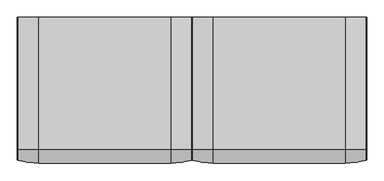
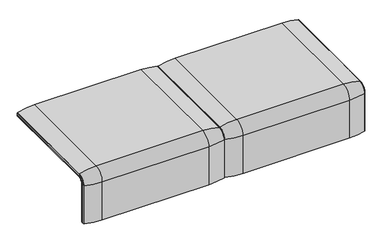
"""IFC4 building model written with IfcOpenShell, lengths in millimetres: furniture geometry."""

from ifc_helpers import new_model, si_unit, point, frame, frame_2d, origin, place, context, project, spatial, polyline, circle_curve, ellipse_curve, trimmed, segment, composite_curve, outline, extrude, source, transform, mapped, element, save
from ifc_brep_helpers import plane_surface, cylinder_surface, revolved_surface, advanced_brep


def furniture_441929d1(model_context):
    return source(origin(), model_context, "Body", "SolidModel", [
        advanced_brep(
        [(0.0, 295.0, 359.922434), (0.0, 295.0, 366.172434), (815.9812488, 295.0, 366.172434), (815.9812488, 295.0, 359.922434), (0.0, -357.5, 333.0583003), (0.0, -357.5, 100.5089435), (815.9812488, -357.5, 100.5089435), (815.9812488, -357.5, 333.0583003), (781.0812488, -357.5, 333.0583003), (781.0812488, -357.5, 135.3766997), (34.9, -357.5, 135.3766997), (34.9, -357.5, 333.0583003), (0.0, -323.7517936, 359.922434), (815.9812488, -323.7517936, 359.922434), (781.0812488, -323.7517936, 359.922434), (781.0812488, 260.0, 359.922434), (34.9, 260.0, 359.922434), (34.9, -323.7517936, 359.922434), (781.0812488, -351.0, 135.3766997), (781.0812488, -324.3858663, 366.172434), (781.0812488, 260.0, 366.172434), (781.0812488, -351.0, 332.6742277), (34.9, 260.0, 366.172434), (0.0, -351.0, 332.6742277), (0.0, -351.0, 100.5089435), (0.0, -324.3858663, 366.172434), (815.9812488, -324.3858663, 366.172434), (815.9812488, -351.0, 100.5089435), (815.9812488, -351.0, 332.6742277), (34.9, -324.3858663, 366.172434), (34.9, -351.0, 332.6742277), (34.9, -351.0, 135.3766997)],
        [
            (0, 1),
            (1, 2),
            (2, 3),
            (3, 0),
            (4, 5),
            (5, 6),
            (6, 7),
            (7, 8),
            (8, 9),
            (9, 10),
            (10, 11),
            (11, 4),
            (12, 0),
            (3, 13),
            (13, 14),
            (14, 15),
            (15, 16),
            (16, 17),
            (17, 12),
            (18, 9),
            (8, 19, circle_curve(frame((781.0812488, -324.3858663, 333.0583003), z_axis=(-1.0, 0.0, 0.0), x_axis=(0.0, -1.0, 0.0)), 33.1141337)),
            (19, 20),
            (20, 15),
            (14, 21, circle_curve(frame((781.0812488, -323.7517936, 332.6742277), z_axis=(1.0, 0.0, 0.0), x_axis=(0.0, -1.0, 0.0)), 27.2482064)),
            (21, 18),
            (22, 16),
            (20, 22),
            (12, 23, circle_curve(frame((0.0, -323.7517936, 332.6742277), z_axis=(1.0, 0.0, 0.0), x_axis=(0.0, -1.0, 0.0)), 27.2482064)),
            (23, 24),
            (24, 5),
            (4, 25, circle_curve(frame((0.0, -324.3858663, 333.0583003), z_axis=(-1.0, 0.0, 0.0), x_axis=(0.0, -1.0, 0.0)), 33.1141337)),
            (25, 1),
            (2, 26),
            (26, 7, circle_curve(frame((815.9812488, -324.3858663, 333.0583003), z_axis=(1.0, 0.0, 0.0), x_axis=(0.0, -1.0, 0.0)), 33.1141337)),
            (6, 27),
            (27, 28),
            (28, 13, circle_curve(frame((815.9812488, -323.7517936, 332.6742277), z_axis=(-1.0, 0.0, 0.0), x_axis=(0.0, -1.0, 0.0)), 27.2482064)),
            (25, 29),
            (29, 22),
            (19, 26),
            (11, 29, circle_curve(frame((34.9, -324.3858663, 333.0583003), z_axis=(-1.0, 0.0, 0.0), x_axis=(0.0, -1.0, 0.0)), 33.1141337)),
            (24, 27),
            (23, 30),
            (30, 31),
            (31, 18),
            (21, 28),
            (17, 30, circle_curve(frame((34.9, -323.7517936, 332.6742277), z_axis=(1.0, 0.0, 0.0), x_axis=(0.0, -1.0, 0.0)), 27.2482064)),
            (10, 31),
        ],
        [
            plane_surface(frame((0.0, 295.0, 366.172434), z_axis=(0.0, 1.0, 0.0), x_axis=(1.0, 0.0, 0.0))),
            plane_surface(frame((0.0, -357.5, 100.5089435), z_axis=(0.0, -1.0, 0.0), x_axis=(1.0, 0.0, 0.0))),
            plane_surface(frame((0.0, 295.0, 359.922434), z_axis=(0.0, 0.0, -1.0), x_axis=(1.0, 0.0, 0.0))),
            plane_surface(frame((781.0812488, -296.9265415, 359.922434), z_axis=(-1.0, 0.0, 0.0), x_axis=(0.0, 1.0, 0.0))),
            plane_surface(frame((34.9, 260.0, 366.172434), z_axis=(0.0, -1.0, 0.0), x_axis=(1.0, 0.0, 0.0))),
            plane_surface(frame((0.0, -296.9265415, 359.922434), z_axis=(-1.0, 0.0, 0.0), x_axis=(0.0, -1.0, 0.0))),
            plane_surface(frame((815.9812488, -296.9265415, 359.922434), z_axis=(1.0, 0.0, 0.0), x_axis=(0.0, 1.0, 0.0))),
            plane_surface(frame((0.0, -324.3858663, 366.172434), z_axis=(0.0, 0.0, 1.0), x_axis=(1.0, 0.0, 0.0))),
            cylinder_surface(frame((815.9812488, -324.3858663, 333.0583003), z_axis=(-1.0, 0.0, 0.0), x_axis=(0.0, -1.0, 0.0)), 33.1141337),
            plane_surface(frame((0.0, -351.0, 100.5089435), z_axis=(0.0, 0.0, -1.0), x_axis=(1.0, 0.0, 0.0))),
            plane_surface(frame((0.0, -351.0, 332.6742277), z_axis=(0.0, 1.0, 0.0), x_axis=(1.0, 0.0, 0.0))),
            revolved_surface(polyline([(34.89999999999998, -351.0, 332.6742277), (0.0, -351.0, 332.6742277)]), (815.9812488, -323.7517936, 332.6742277), (1.0, 0.0, 0.0)),
            revolved_surface(polyline([(815.9812488, -351.0, 332.6742277), (781.0812488, -351.0, 332.6742277)]), (815.9812488, -323.7517936, 332.6742277), (1.0, 0.0, 0.0)),
            plane_surface(frame((34.9, -296.9265415, 359.922434), z_axis=(1.0, 0.0, 0.0), x_axis=(0.0, -1.0, 0.0))),
            plane_surface(frame((34.9, -351.0, 135.3766997), z_axis=(0.0, 0.0, 1.0), x_axis=(1.0, 0.0, 0.0))),
        ],
        [
            (0, [[1, 2, 3, 4]]),
            (1, [[5, 6, 7, 8, 9, 10, 11, 12]]),
            (2, [[13, -4, 14, 15, 16, 17, 18, 19]]),
            (3, [[20, -9, 21, 22, 23, -16, 24, 25]]),
            (4, [[26, -17, -23, 27]]),
            (5, [[-13, 28, 29, 30, -5, 31, 32, -1]]),
            (6, [[-3, 33, 34, -7, 35, 36, 37, -14]]),
            (7, [[-32, 38, 39, -27, -22, 40, -33, -2]]),
            (8, [[-34, -40, -21, -8]]),
            (8, [[-31, -12, 41, -38]]),
            (9, [[-30, 42, -35, -6]]),
            (10, [[-29, 43, 44, 45, -25, 46, -36, -42]]),
            (11, [[-28, -19, 47, -43]]),
            (12, [[-37, -46, -24, -15]]),
            (13, [[-26, -39, -41, -11, 48, -44, -47, -18]]),
            (14, [[-48, -10, -20, -45]]),
        ],
    ),
        extrude(outline(composite_curve([segment(polyline([(260.0, 359.922434), (-323.7517936, 359.922434)]), True, "CONTINUOUS"), segment(trimmed(circle_curve(frame_2d((-323.7517936, 332.6742277)), 27.2482064), [point((-323.7517936, 359.922434))], [point((-351.0, 332.6742277))], True, "CARTESIAN"), True, "CONTINUOUS"), segment(polyline([(-351.0, 332.6742277), (-351.0, 135.3766997), (-357.5, 135.3766997), (-357.5, 333.0583003)]), True, "CONTINUOUS"), segment(trimmed(circle_curve(frame_2d((-324.3858663, 333.0583003)), 33.1141337), [point((-357.5, 333.0583003))], [point((-324.3858663, 366.172434))], False, "CARTESIAN"), True, "CONTINUOUS"), segment(polyline([(-324.3858663, 366.172434), (260.0, 366.172434), (260.0, 359.922434)]), True, "CONTINUOUS")], self_intersect=False)), frame((34.9, 0.0, 0.0), z_axis=(1.0, 0.0, 0.0), x_axis=(0.0, 1.0, 0.0)), (0.0, 0.0, 1.0), 746.1812488),
        advanced_brep(
        [(0.0, -368.7793679, 100.5089435), (0.0, -357.5, 100.5089435), (815.9812488, -357.5, 100.5089435), (815.9812488, -368.7793679, 100.5089435), (813.8426203, -371.6530483, 100.5089435), (715.9812488, -386.0043559, 100.5089435), (100.0, -386.0043559, 100.5089435), (2.1386285, -371.6530483, 100.5089435), (0.0, 295.0, 377.4518019), (2.1386285, 295.0, 380.3254823), (100.0, 295.0, 394.67679), (715.9812488, 295.0, 394.67679), (813.8426203, 295.0, 380.3254823), (815.9812488, 295.0, 377.4518019), (815.9812488, 295.0, 366.172434), (0.0, 295.0, 366.172434), (0.0, -368.7793679, 333.0583003), (0.0, -324.3858663, 377.4518019), (0.0, -324.3858663, 366.172434), (0.0, -357.5, 333.0583003), (815.9812488, -357.5, 333.0583003), (715.9812488, -386.0043559, 333.0583003), (100.0, -386.0043559, 333.0583003), (2.1386285, -371.6530483, 333.0583003), (815.9812488, -324.3858663, 366.172434), (100.0, -324.3858663, 394.67679), (715.9812488, -324.3858663, 394.67679), (2.1386285, -324.3858663, 380.3254823), (815.9812488, -324.3858663, 377.4518019), (815.9812488, -368.7793679, 333.0583003), (813.8426203, -371.6530483, 333.0583003), (813.8426203, -324.3858663, 380.3254823)],
        [
            (0, 1),
            (1, 2),
            (2, 3),
            (3, 4, circle_curve(frame((812.9812488, -368.7793679, 100.5089435), z_axis=(0.0, 0.0, -1.0), x_axis=(-1.0, 0.0, 0.0)), 3.0)),
            (4, 5, circle_curve(frame((715.9812488, -45.1710226, 100.5089435), z_axis=(0.0, 0.0, -1.0), x_axis=(0.0, 1.0, 0.0)), 340.8333333)),
            (5, 6),
            (6, 7, circle_curve(frame((100.0, -45.1710226, 100.5089435), z_axis=(0.0, 0.0, -1.0), x_axis=(0.0, 1.0, 0.0)), 340.8333333)),
            (7, 0, circle_curve(frame((3.0, -368.7793679, 100.5089435), z_axis=(0.0, 0.0, -1.0), x_axis=(1.0, 0.0, 0.0)), 3.0)),
            (8, 9, circle_curve(frame((3.0, 295.0, 377.4518019), z_axis=(0.0, 1.0, 0.0), x_axis=(1.0, 0.0, 0.0)), 3.0)),
            (9, 10, circle_curve(frame((100.0, 295.0, 53.8434566), z_axis=(0.0, 1.0, 0.0), x_axis=(0.0, 0.0, -1.0)), 340.8333333)),
            (10, 11),
            (11, 12, circle_curve(frame((715.9812488, 295.0, 53.8434566), z_axis=(0.0, 1.0, 0.0), x_axis=(0.0, 0.0, -1.0)), 340.8333333)),
            (12, 13, circle_curve(frame((812.9812488, 295.0, 377.4518019), z_axis=(0.0, 1.0, 0.0), x_axis=(-1.0, 0.0, 0.0)), 3.0)),
            (13, 14),
            (14, 15),
            (15, 8),
            (0, 16),
            (16, 17, circle_curve(frame((0.0, -324.3858663, 333.0583003), z_axis=(-1.0, 0.0, 0.0), x_axis=(0.0, -1.0, 0.0)), 44.3935016)),
            (17, 8),
            (15, 18),
            (18, 19, circle_curve(frame((0.0, -324.3858663, 333.0583003), z_axis=(1.0, 0.0, 0.0), x_axis=(0.0, -1.0, 0.0)), 33.1141337)),
            (19, 1),
            (19, 20),
            (20, 2),
            (5, 21),
            (21, 22),
            (22, 6),
            (22, 23, circle_curve(frame((100.0, -45.1710226, 333.0583003), z_axis=(0.0, 0.0, -1.0), x_axis=(0.0, 1.0, 0.0)), 340.8333333)),
            (23, 7),
            (23, 16, circle_curve(frame((3.0, -368.7793679, 333.0583003), z_axis=(0.0, 0.0, -1.0), x_axis=(1.0, 0.0, 0.0)), 3.0)),
            (24, 20, circle_curve(frame((815.9812488, -324.3858663, 333.0583003), z_axis=(1.0, 0.0, 0.0), x_axis=(0.0, -1.0, 0.0)), 33.1141337)),
            (18, 24),
            (25, 22, circle_curve(frame((100.0, -324.3858663, 333.0583003), z_axis=(1.0, 0.0, 0.0), x_axis=(0.0, -1.0, 0.0)), 61.6184897)),
            (21, 26, circle_curve(frame((715.9812488, -324.3858663, 333.0583003), z_axis=(-1.0, 0.0, 0.0), x_axis=(0.0, -1.0, 0.0)), 61.6184897)),
            (26, 25),
            (27, 23, circle_curve(frame((2.1386285, -324.3858663, 333.0583003), z_axis=(1.0, 0.0, 0.0), x_axis=(0.0, -1.0, 0.0)), 47.267182)),
            (25, 27, circle_curve(frame((100.0, -324.3858663, 53.8434566), z_axis=(0.0, -1.0, 0.0), x_axis=(0.0, 0.0, -1.0)), 340.8333333)),
            (27, 17, circle_curve(frame((3.0, -324.3858663, 377.4518019), z_axis=(0.0, -1.0, 0.0), x_axis=(1.0, 0.0, 0.0)), 3.0)),
            (14, 24),
            (26, 11),
            (10, 25),
            (9, 27),
            (13, 28),
            (28, 29, circle_curve(frame((815.9812488, -324.3858663, 333.0583003), z_axis=(1.0, 0.0, 0.0), x_axis=(0.0, -1.0, 0.0)), 44.3935016)),
            (29, 3),
            (29, 30, circle_curve(frame((812.9812488, -368.7793679, 333.0583003), z_axis=(0.0, 0.0, -1.0), x_axis=(-1.0, 0.0, 0.0)), 3.0)),
            (30, 4),
            (30, 21, circle_curve(frame((715.9812488, -45.1710226, 333.0583003), z_axis=(0.0, 0.0, -1.0), x_axis=(0.0, 1.0, 0.0)), 340.8333333)),
            (31, 30, circle_curve(frame((813.8426203, -324.3858663, 333.0583003), z_axis=(1.0, 0.0, 0.0), x_axis=(0.0, -1.0, 0.0)), 47.267182)),
            (28, 31, circle_curve(frame((812.9812488, -324.3858663, 377.4518019), z_axis=(0.0, -1.0, 0.0), x_axis=(-1.0, 0.0, 0.0)), 3.0)),
            (31, 26, circle_curve(frame((715.9812488, -324.3858663, 53.8434566), z_axis=(0.0, -1.0, 0.0), x_axis=(0.0, 0.0, -1.0)), 340.8333333)),
            (12, 31),
        ],
        [
            plane_surface(frame((0.0, -357.5, 100.5089435), z_axis=(0.0, 0.0, -1.0), x_axis=(1.0, 0.0, 0.0))),
            plane_surface(frame((0.0, 295.0, 366.172434), z_axis=(0.0, 1.0, 0.0), x_axis=(1.0, 0.0, 0.0))),
            plane_surface(frame((0.0, -368.7793679, 100.5089435), z_axis=(-1.0, 0.0, 0.0), x_axis=(0.0, 0.0, 1.0))),
            plane_surface(frame((0.0, -357.5, 100.5089435), z_axis=(0.0, 1.0, 0.0), x_axis=(0.0, 0.0, 1.0))),
            plane_surface(frame((715.9812488, -386.0043559, 100.5089435), z_axis=(0.0, -1.0, 0.0), x_axis=(0.0, 0.0, 1.0))),
            cylinder_surface(frame((100.0, -45.1710226, 100.5089435), z_axis=(0.0, 0.0, -1.0), x_axis=(0.0, 1.0, 0.0)), 340.8333333),
            cylinder_surface(frame((3.0, -368.7793679, 100.5089435), z_axis=(0.0, 0.0, -1.0), x_axis=(1.0, 0.0, 0.0)), 3.0),
            revolved_surface(polyline([(0.0, -357.5, 333.0583003), (815.9812488, -357.5, 333.0583003)]), (0.0, -324.3858663, 333.0583003), (-1.0, 0.0, 0.0)),
            cylinder_surface(frame((0.0, -324.3858663, 333.0583003), z_axis=(-1.0, 0.0, 0.0), x_axis=(0.0, -1.0, 0.0)), 61.6184897),
            revolved_surface(trimmed(ellipse_curve(frame((100.0, -45.1710226, 333.0583003), z_axis=(0.0, 0.0, -1.0), x_axis=(0.0, 1.0, 0.0)), 340.8333333, 340.8333333), [point((100.0, -386.0043559, 333.0583003))], [point((2.1386285, -371.6530483, 333.0583003))], True, "CARTESIAN"), (0.0, -324.3858663, 333.0583003), (-1.0, 0.0, 0.0)),
            revolved_surface(trimmed(ellipse_curve(frame((3.0, -368.7793679, 333.0583003), z_axis=(0.0, 0.0, -1.0), x_axis=(1.0, 0.0, 0.0)), 3.0, 3.0), [point((2.1386285, -371.6530483, 333.0583003))], [point((0.0, -368.7793679, 333.0583003))], True, "CARTESIAN"), (0.0, -324.3858663, 333.0583003), (-1.0, 0.0, 0.0)),
            plane_surface(frame((0.0, -324.3858663, 366.172434), z_axis=(0.0, 0.0, -1.0), x_axis=(0.0, 1.0, 0.0))),
            plane_surface(frame((715.9812488, -324.3858663, 394.67679), z_axis=(0.0, 0.0, 1.0), x_axis=(0.0, 1.0, 0.0))),
            cylinder_surface(frame((100.0, -324.3858663, 53.8434566), z_axis=(0.0, -1.0, 0.0), x_axis=(0.0, 0.0, -1.0)), 340.8333333),
            cylinder_surface(frame((3.0, -324.3858663, 377.4518019), z_axis=(0.0, -1.0, 0.0), x_axis=(1.0, 0.0, 0.0)), 3.0),
            plane_surface(frame((815.9812488, -357.5, 100.5089435), z_axis=(1.0, 0.0, 0.0), x_axis=(0.0, 0.0, 1.0))),
            cylinder_surface(frame((812.9812488, -368.7793679, 100.5089435), z_axis=(0.0, 0.0, -1.0), x_axis=(-1.0, 0.0, 0.0)), 3.0),
            cylinder_surface(frame((715.9812488, -45.1710226, 100.5089435), z_axis=(0.0, 0.0, -1.0), x_axis=(0.0, 1.0, 0.0)), 340.8333333),
            revolved_surface(trimmed(ellipse_curve(frame((812.9812488, -368.7793679, 333.0583003), z_axis=(0.0, 0.0, -1.0), x_axis=(-1.0, 0.0, 0.0)), 3.0, 3.0), [point((815.9812488, -368.7793679, 333.0583003))], [point((813.8426203, -371.6530483, 333.0583003))], True, "CARTESIAN"), (0.0, -324.3858663, 333.0583003), (-1.0, 0.0, 0.0)),
            revolved_surface(trimmed(ellipse_curve(frame((715.9812488, -45.1710226, 333.0583003), z_axis=(0.0, 0.0, -1.0), x_axis=(0.0, 1.0, 0.0)), 340.8333333, 340.8333333), [point((813.8426203, -371.6530483, 333.0583003))], [point((715.9812488, -386.0043559, 333.0583003))], True, "CARTESIAN"), (0.0, -324.3858663, 333.0583003), (-1.0, 0.0, 0.0)),
            cylinder_surface(frame((812.9812488, -324.3858663, 377.4518019), z_axis=(0.0, -1.0, 0.0), x_axis=(-1.0, 0.0, 0.0)), 3.0),
            cylinder_surface(frame((715.9812488, -324.3858663, 53.8434566), z_axis=(0.0, -1.0, 0.0), x_axis=(0.0, 0.0, -1.0)), 340.8333333),
        ],
        [
            (0, [[1, 2, 3, 4, 5, 6, 7, 8]]),
            (1, [[9, 10, 11, 12, 13, 14, 15, 16]]),
            (2, [[-1, 17, 18, 19, -16, 20, 21, 22]]),
            (3, [[-2, -22, 23, 24]]),
            (4, [[-6, 25, 26, 27]]),
            (5, [[-7, -27, 28, 29]]),
            (6, [[-8, -29, 30, -17]]),
            (7, [[31, -23, -21, 32]]),
            (8, [[33, -26, 34, 35]]),
            (9, [[36, -28, -33, 37]]),
            (10, [[-18, -30, -36, 38]]),
            (11, [[-32, -20, -15, 39]]),
            (12, [[-35, 40, -11, 41]]),
            (13, [[-37, -41, -10, 42]]),
            (14, [[-38, -42, -9, -19]]),
            (15, [[-3, -24, -31, -39, -14, 43, 44, 45]]),
            (16, [[-4, -45, 46, 47]]),
            (17, [[-5, -47, 48, -25]]),
            (18, [[49, -46, -44, 50]]),
            (19, [[-34, -48, -49, 51]]),
            (20, [[-50, -43, -13, 52]]),
            (21, [[-51, -52, -12, -40]]),
        ],
    ),
        advanced_brep(
        [(-815.9812488, 295.0, 359.922434), (-815.9812488, -323.7517936, 359.922434), (-815.9812488, -351.0, 332.6742277), (-815.9812488, -351.0, 100.5089435), (-815.9812488, -357.5, 100.5089435), (-815.9812488, -357.5, 333.0583003), (-815.9812488, -324.3858663, 366.172434), (-815.9812488, 295.0, 366.172434), (0.0, 295.0, 359.922434), (0.0, 295.0, 366.172434), (0.0, -324.3858663, 366.172434), (0.0, -357.5, 333.0583003), (0.0, -357.5, 100.5089435), (0.0, -351.0, 100.5089435), (0.0, -351.0, 332.6742277), (0.0, -323.7517936, 359.922434), (-781.0812488, -324.3858663, 366.172434), (-781.0812488, 260.0, 366.172434), (-34.9, 260.0, 366.172434), (-34.9, -324.3858663, 366.172434), (-781.0812488, -357.5, 333.0583003), (-34.9, -357.5, 333.0583003), (-34.9, -357.5, 135.3766997), (-781.0812488, -357.5, 135.3766997), (-781.0812488, -351.0, 332.6742277), (-781.0812488, -351.0, 135.3766997), (-34.9, -351.0, 135.3766997), (-34.9, -351.0, 332.6742277), (-781.0812488, -323.7517936, 359.922434), (-34.9, -323.7517936, 359.922434), (-34.9, 260.0, 359.922434), (-781.0812488, 260.0, 359.922434)],
        [
            (0, 1),
            (1, 2, circle_curve(frame((-815.9812488, -323.7517936, 332.6742277), z_axis=(1.0, 0.0, 0.0), x_axis=(0.0, -1.0, 0.0)), 27.2482064)),
            (2, 3),
            (3, 4),
            (4, 5),
            (5, 6, circle_curve(frame((-815.9812488, -324.3858663, 333.0583003), z_axis=(-1.0, 0.0, 0.0), x_axis=(0.0, -1.0, 0.0)), 33.1141337)),
            (6, 7),
            (7, 0),
            (8, 9),
            (9, 10),
            (10, 11, circle_curve(frame((0.0, -324.3858663, 333.0583003), z_axis=(1.0, 0.0, 0.0), x_axis=(0.0, -1.0, 0.0)), 33.1141337)),
            (11, 12),
            (12, 13),
            (13, 14),
            (14, 15, circle_curve(frame((0.0, -323.7517936, 332.6742277), z_axis=(-1.0, 0.0, 0.0), x_axis=(0.0, -1.0, 0.0)), 27.2482064)),
            (15, 8),
            (7, 9),
            (8, 0),
            (6, 16),
            (16, 17),
            (17, 18),
            (18, 19),
            (19, 10),
            (5, 20),
            (20, 16, circle_curve(frame((-781.0812488, -324.3858663, 333.0583003), z_axis=(-1.0, 0.0, 0.0), x_axis=(0.0, -1.0, 0.0)), 33.1141337)),
            (19, 21, circle_curve(frame((-34.9, -324.3858663, 333.0583003), z_axis=(1.0, 0.0, 0.0), x_axis=(0.0, -1.0, 0.0)), 33.1141337)),
            (21, 11),
            (4, 12),
            (21, 22),
            (22, 23),
            (23, 20),
            (3, 13),
            (2, 24),
            (24, 25),
            (25, 26),
            (26, 27),
            (27, 14),
            (1, 28),
            (28, 24, circle_curve(frame((-781.0812488, -323.7517936, 332.6742277), z_axis=(1.0, 0.0, 0.0), x_axis=(0.0, -1.0, 0.0)), 27.2482064)),
            (27, 29, circle_curve(frame((-34.9, -323.7517936, 332.6742277), z_axis=(-1.0, 0.0, 0.0), x_axis=(0.0, -1.0, 0.0)), 27.2482064)),
            (29, 15),
            (29, 30),
            (30, 31),
            (31, 28),
            (31, 17),
            (23, 25),
            (26, 22),
            (18, 30),
        ],
        [
            plane_surface(frame((-815.9812488, -296.9265415, 359.922434), z_axis=(-1.0, 0.0, 0.0), x_axis=(0.0, -1.0, 0.0))),
            plane_surface(frame((0.0, -296.9265415, 359.922434), z_axis=(1.0, 0.0, 0.0), x_axis=(0.0, 1.0, 0.0))),
            plane_surface(frame((-815.9812488, 295.0, 366.172434), z_axis=(0.0, 1.0, 0.0), x_axis=(1.0, 0.0, 0.0))),
            plane_surface(frame((-815.9812488, -324.3858663, 366.172434), z_axis=(0.0, 0.0, 1.0), x_axis=(1.0, 0.0, 0.0))),
            cylinder_surface(frame((0.0, -324.3858663, 333.0583003), z_axis=(-1.0, 0.0, 0.0), x_axis=(0.0, -1.0, 0.0)), 33.1141337),
            plane_surface(frame((-815.9812488, -357.5, 100.5089435), z_axis=(0.0, -1.0, 0.0), x_axis=(1.0, 0.0, 0.0))),
            plane_surface(frame((-815.9812488, -351.0, 100.5089435), z_axis=(0.0, 0.0, -1.0), x_axis=(1.0, 0.0, 0.0))),
            plane_surface(frame((-815.9812488, -351.0, 332.6742277), z_axis=(0.0, 1.0, 0.0), x_axis=(1.0, 0.0, 0.0))),
            revolved_surface(polyline([(-781.0812488, -351.0, 332.6742277), (-815.9812488, -351.0, 332.6742277)]), (0.0, -323.7517936, 332.6742277), (1.0, 0.0, 0.0)),
            revolved_surface(polyline([(0.0, -351.0, 332.6742277), (-34.9, -351.0, 332.6742277)]), (0.0, -323.7517936, 332.6742277), (1.0, 0.0, 0.0)),
            plane_surface(frame((-815.9812488, 295.0, 359.922434), z_axis=(0.0, 0.0, -1.0), x_axis=(1.0, 0.0, 0.0))),
            plane_surface(frame((-781.0812488, -296.9265415, 359.922434), z_axis=(1.0, 0.0, 0.0), x_axis=(0.0, -1.0, 0.0))),
            plane_surface(frame((-34.9, -296.9265415, 359.922434), z_axis=(-1.0, 0.0, 0.0), x_axis=(0.0, 1.0, 0.0))),
            plane_surface(frame((-781.0812488, 260.0, 366.172434), z_axis=(0.0, -1.0, 0.0), x_axis=(1.0, 0.0, 0.0))),
            plane_surface(frame((-781.0812488, -351.0, 135.3766997), z_axis=(0.0, 0.0, 1.0), x_axis=(1.0, 0.0, 0.0))),
        ],
        [
            (0, [[1, 2, 3, 4, 5, 6, 7, 8]]),
            (1, [[9, 10, 11, 12, 13, 14, 15, 16]]),
            (2, [[-8, 17, -9, 18]]),
            (3, [[-7, 19, 20, 21, 22, 23, -10, -17]]),
            (4, [[-6, 24, 25, -19]]),
            (4, [[-11, -23, 26, 27]]),
            (5, [[-5, 28, -12, -27, 29, 30, 31, -24]]),
            (6, [[-4, 32, -13, -28]]),
            (7, [[-3, 33, 34, 35, 36, 37, -14, -32]]),
            (8, [[-2, 38, 39, -33]]),
            (9, [[-15, -37, 40, 41]]),
            (10, [[-1, -18, -16, -41, 42, 43, 44, -38]]),
            (11, [[45, -20, -25, -31, 46, -34, -39, -44]]),
            (12, [[47, -29, -26, -22, 48, -42, -40, -36]]),
            (13, [[-45, -43, -48, -21]]),
            (14, [[-46, -30, -47, -35]]),
        ],
    ),
        extrude(outline(composite_curve([segment(polyline([(260.0, 359.922434), (-323.7517936, 359.922434)]), True, "CONTINUOUS"), segment(trimmed(circle_curve(frame_2d((-323.7517936, 332.6742277)), 27.2482064), [point((-323.7517936, 359.922434))], [point((-351.0, 332.6742277))], True, "CARTESIAN"), True, "CONTINUOUS"), segment(polyline([(-351.0, 332.6742277), (-351.0, 135.3766997), (-357.5, 135.3766997), (-357.5, 333.0583003)]), True, "CONTINUOUS"), segment(trimmed(circle_curve(frame_2d((-324.3858663, 333.0583003)), 33.1141337), [point((-357.5, 333.0583003))], [point((-324.3858663, 366.172434))], False, "CARTESIAN"), True, "CONTINUOUS"), segment(polyline([(-324.3858663, 366.172434), (260.0, 366.172434), (260.0, 359.922434)]), True, "CONTINUOUS")], self_intersect=False)), frame((-781.0812488, 0.0, 0.0), z_axis=(1.0, 0.0, 0.0), x_axis=(0.0, 1.0, 0.0)), (0.0, 0.0, 1.0), 746.1812488),
        advanced_brep(
        [(-815.9812488, -368.7793679, 100.5089435), (-815.9812488, -357.5, 100.5089435), (0.0, -357.5, 100.5089435), (0.0, -368.7793679, 100.5089435), (-2.1386285, -371.6530483, 100.5089435), (-100.0, -386.0043559, 100.5089435), (-715.9812488, -386.0043559, 100.5089435), (-813.8426203, -371.6530483, 100.5089435), (-815.9812488, 295.0, 377.4518019), (-813.8426203, 295.0, 380.3254823), (-715.9812488, 295.0, 394.67679), (-100.0, 295.0, 394.67679), (-2.1386285, 295.0, 380.3254823), (0.0, 295.0, 377.4518019), (0.0, 295.0, 366.172434), (-815.9812488, 295.0, 366.172434), (-815.9812488, -368.7793679, 333.0583003), (-815.9812488, -324.3858663, 377.4518019), (-815.9812488, -324.3858663, 366.172434), (-815.9812488, -357.5, 333.0583003), (0.0, -357.5, 333.0583003), (-100.0, -386.0043559, 333.0583003), (-715.9812488, -386.0043559, 333.0583003), (-813.8426203, -371.6530483, 333.0583003), (0.0, -324.3858663, 366.172434), (-715.9812488, -324.3858663, 394.67679), (-100.0, -324.3858663, 394.67679), (-813.8426203, -324.3858663, 380.3254823), (0.0, -324.3858663, 377.4518019), (0.0, -368.7793679, 333.0583003), (-2.1386285, -371.6530483, 333.0583003), (-2.1386285, -324.3858663, 380.3254823)],
        [
            (0, 1),
            (1, 2),
            (2, 3),
            (3, 4, circle_curve(frame((-3.0, -368.7793679, 100.5089435), z_axis=(0.0, 0.0, -1.0), x_axis=(-1.0, 0.0, 0.0)), 3.0)),
            (4, 5, circle_curve(frame((-100.0, -45.1710226, 100.5089435), z_axis=(0.0, 0.0, -1.0), x_axis=(0.0, 1.0, 0.0)), 340.8333333)),
            (5, 6),
            (6, 7, circle_curve(frame((-715.9812488, -45.1710226, 100.5089435), z_axis=(0.0, 0.0, -1.0), x_axis=(0.0, 1.0, 0.0)), 340.8333333)),
            (7, 0, circle_curve(frame((-812.9812488, -368.7793679, 100.5089435), z_axis=(0.0, 0.0, -1.0), x_axis=(1.0, 0.0, 0.0)), 3.0)),
            (8, 9, circle_curve(frame((-812.9812488, 295.0, 377.4518019), z_axis=(0.0, 1.0, 0.0), x_axis=(1.0, 0.0, 0.0)), 3.0)),
            (9, 10, circle_curve(frame((-715.9812488, 295.0, 53.8434566), z_axis=(0.0, 1.0, 0.0), x_axis=(0.0, 0.0, -1.0)), 340.8333333)),
            (10, 11),
            (11, 12, circle_curve(frame((-100.0, 295.0, 53.8434566), z_axis=(0.0, 1.0, 0.0), x_axis=(0.0, 0.0, -1.0)), 340.8333333)),
            (12, 13, circle_curve(frame((-3.0, 295.0, 377.4518019), z_axis=(0.0, 1.0, 0.0), x_axis=(-1.0, 0.0, 0.0)), 3.0)),
            (13, 14),
            (14, 15),
            (15, 8),
            (0, 16),
            (16, 17, circle_curve(frame((-815.9812488, -324.3858663, 333.0583003), z_axis=(-1.0, 0.0, 0.0), x_axis=(0.0, -1.0, 0.0)), 44.3935016)),
            (17, 8),
            (15, 18),
            (18, 19, circle_curve(frame((-815.9812488, -324.3858663, 333.0583003), z_axis=(1.0, 0.0, 0.0), x_axis=(0.0, -1.0, 0.0)), 33.1141337)),
            (19, 1),
            (19, 20),
            (20, 2),
            (5, 21),
            (21, 22),
            (22, 6),
            (22, 23, circle_curve(frame((-715.9812488, -45.1710226, 333.0583003), z_axis=(0.0, 0.0, -1.0), x_axis=(0.0, 1.0, 0.0)), 340.8333333)),
            (23, 7),
            (23, 16, circle_curve(frame((-812.9812488, -368.7793679, 333.0583003), z_axis=(0.0, 0.0, -1.0), x_axis=(1.0, 0.0, 0.0)), 3.0)),
            (24, 20, circle_curve(frame((0.0, -324.3858663, 333.0583003), z_axis=(1.0, 0.0, 0.0), x_axis=(0.0, -1.0, 0.0)), 33.1141337)),
            (18, 24),
            (25, 22, circle_curve(frame((-715.9812488, -324.3858663, 333.0583003), z_axis=(1.0, 0.0, 0.0), x_axis=(0.0, -1.0, 0.0)), 61.6184897)),
            (21, 26, circle_curve(frame((-100.0, -324.3858663, 333.0583003), z_axis=(-1.0, 0.0, 0.0), x_axis=(0.0, -1.0, 0.0)), 61.6184897)),
            (26, 25),
            (27, 23, circle_curve(frame((-813.8426203, -324.3858663, 333.0583003), z_axis=(1.0, 0.0, 0.0), x_axis=(0.0, -1.0, 0.0)), 47.267182)),
            (25, 27, circle_curve(frame((-715.9812488, -324.3858663, 53.8434566), z_axis=(0.0, -1.0, 0.0), x_axis=(0.0, 0.0, -1.0)), 340.8333333)),
            (27, 17, circle_curve(frame((-812.9812488, -324.3858663, 377.4518019), z_axis=(0.0, -1.0, 0.0), x_axis=(1.0, 0.0, 0.0)), 3.0)),
            (14, 24),
            (26, 11),
            (10, 25),
            (9, 27),
            (13, 28),
            (28, 29, circle_curve(frame((0.0, -324.3858663, 333.0583003), z_axis=(1.0, 0.0, 0.0), x_axis=(0.0, -1.0, 0.0)), 44.3935016)),
            (29, 3),
            (29, 30, circle_curve(frame((-3.0, -368.7793679, 333.0583003), z_axis=(0.0, 0.0, -1.0), x_axis=(-1.0, 0.0, 0.0)), 3.0)),
            (30, 4),
            (30, 21, circle_curve(frame((-100.0, -45.1710226, 333.0583003), z_axis=(0.0, 0.0, -1.0), x_axis=(0.0, 1.0, 0.0)), 340.8333333)),
            (31, 30, circle_curve(frame((-2.1386285, -324.3858663, 333.0583003), z_axis=(1.0, 0.0, 0.0), x_axis=(0.0, -1.0, 0.0)), 47.267182)),
            (28, 31, circle_curve(frame((-3.0, -324.3858663, 377.4518019), z_axis=(0.0, -1.0, 0.0), x_axis=(-1.0, 0.0, 0.0)), 3.0)),
            (31, 26, circle_curve(frame((-100.0, -324.3858663, 53.8434566), z_axis=(0.0, -1.0, 0.0), x_axis=(0.0, 0.0, -1.0)), 340.8333333)),
            (12, 31),
        ],
        [
            plane_surface(frame((-815.9812488, -357.5, 100.5089435), z_axis=(0.0, 0.0, -1.0), x_axis=(1.0, 0.0, 0.0))),
            plane_surface(frame((-815.9812488, 295.0, 366.172434), z_axis=(0.0, 1.0, 0.0), x_axis=(1.0, 0.0, 0.0))),
            plane_surface(frame((-815.9812488, -368.7793679, 100.5089435), z_axis=(-1.0, 0.0, 0.0), x_axis=(0.0, 0.0, 1.0))),
            plane_surface(frame((-815.9812488, -357.5, 100.5089435), z_axis=(0.0, 1.0, 0.0), x_axis=(0.0, 0.0, 1.0))),
            plane_surface(frame((-100.0, -386.0043559, 100.5089435), z_axis=(0.0, -1.0, 0.0), x_axis=(0.0, 0.0, 1.0))),
            cylinder_surface(frame((-715.9812488, -45.1710226, 100.5089435), z_axis=(0.0, 0.0, -1.0), x_axis=(0.0, 1.0, 0.0)), 340.8333333),
            cylinder_surface(frame((-812.9812488, -368.7793679, 100.5089435), z_axis=(0.0, 0.0, -1.0), x_axis=(1.0, 0.0, 0.0)), 3.0),
            revolved_surface(polyline([(-815.9812488, -357.5, 333.0583003), (0.0, -357.5, 333.0583003)]), (-815.9812488, -324.3858663, 333.0583003), (-1.0, 0.0, 0.0)),
            cylinder_surface(frame((-815.9812488, -324.3858663, 333.0583003), z_axis=(-1.0, 0.0, 0.0), x_axis=(0.0, -1.0, 0.0)), 61.6184897),
            revolved_surface(trimmed(ellipse_curve(frame((-715.9812488, -45.1710226, 333.0583003), z_axis=(0.0, 0.0, -1.0), x_axis=(0.0, 1.0, 0.0)), 340.8333333, 340.8333333), [point((-715.9812488, -386.0043559, 333.0583003))], [point((-813.8426203, -371.6530483, 333.0583003))], True, "CARTESIAN"), (-815.9812488, -324.3858663, 333.0583003), (-1.0, 0.0, 0.0)),
            revolved_surface(trimmed(ellipse_curve(frame((-812.9812488, -368.7793679, 333.0583003), z_axis=(0.0, 0.0, -1.0), x_axis=(1.0, 0.0, 0.0)), 3.0, 3.0), [point((-813.8426203, -371.6530483, 333.0583003))], [point((-815.9812488, -368.7793679, 333.0583003))], True, "CARTESIAN"), (-815.9812488, -324.3858663, 333.0583003), (-1.0, 0.0, 0.0)),
            plane_surface(frame((-815.9812488, -324.3858663, 366.172434), z_axis=(0.0, 0.0, -1.0), x_axis=(0.0, 1.0, 0.0))),
            plane_surface(frame((-100.0, -324.3858663, 394.67679), z_axis=(0.0, 0.0, 1.0), x_axis=(0.0, 1.0, 0.0))),
            cylinder_surface(frame((-715.9812488, -324.3858663, 53.8434566), z_axis=(0.0, -1.0, 0.0), x_axis=(0.0, 0.0, -1.0)), 340.8333333),
            cylinder_surface(frame((-812.9812488, -324.3858663, 377.4518019), z_axis=(0.0, -1.0, 0.0), x_axis=(1.0, 0.0, 0.0)), 3.0),
            plane_surface(frame((0.0, -357.5, 100.5089435), z_axis=(1.0, 0.0, 0.0), x_axis=(0.0, 0.0, 1.0))),
            cylinder_surface(frame((-3.0, -368.7793679, 100.5089435), z_axis=(0.0, 0.0, -1.0), x_axis=(-1.0, 0.0, 0.0)), 3.0),
            cylinder_surface(frame((-100.0, -45.1710226, 100.5089435), z_axis=(0.0, 0.0, -1.0), x_axis=(0.0, 1.0, 0.0)), 340.8333333),
            revolved_surface(trimmed(ellipse_curve(frame((-3.0, -368.7793679, 333.0583003), z_axis=(0.0, 0.0, -1.0), x_axis=(-1.0, 0.0, 0.0)), 3.0, 3.0), [point((0.0, -368.7793679, 333.0583003))], [point((-2.1386285, -371.6530483, 333.0583003))], True, "CARTESIAN"), (-815.9812488, -324.3858663, 333.0583003), (-1.0, 0.0, 0.0)),
            revolved_surface(trimmed(ellipse_curve(frame((-100.0, -45.1710226, 333.0583003), z_axis=(0.0, 0.0, -1.0), x_axis=(0.0, 1.0, 0.0)), 340.8333333, 340.8333333), [point((-2.1386285, -371.6530483, 333.0583003))], [point((-100.0, -386.0043559, 333.0583003))], True, "CARTESIAN"), (-815.9812488, -324.3858663, 333.0583003), (-1.0, 0.0, 0.0)),
            cylinder_surface(frame((-3.0, -324.3858663, 377.4518019), z_axis=(0.0, -1.0, 0.0), x_axis=(-1.0, 0.0, 0.0)), 3.0),
            cylinder_surface(frame((-100.0, -324.3858663, 53.8434566), z_axis=(0.0, -1.0, 0.0), x_axis=(0.0, 0.0, -1.0)), 340.8333333),
        ],
        [
            (0, [[1, 2, 3, 4, 5, 6, 7, 8]]),
            (1, [[9, 10, 11, 12, 13, 14, 15, 16]]),
            (2, [[-1, 17, 18, 19, -16, 20, 21, 22]]),
            (3, [[-2, -22, 23, 24]]),
            (4, [[-6, 25, 26, 27]]),
            (5, [[-7, -27, 28, 29]]),
            (6, [[-8, -29, 30, -17]]),
            (7, [[31, -23, -21, 32]]),
            (8, [[33, -26, 34, 35]]),
            (9, [[36, -28, -33, 37]]),
            (10, [[-18, -30, -36, 38]]),
            (11, [[-32, -20, -15, 39]]),
            (12, [[-35, 40, -11, 41]]),
            (13, [[-37, -41, -10, 42]]),
            (14, [[-38, -42, -9, -19]]),
            (15, [[-3, -24, -31, -39, -14, 43, 44, 45]]),
            (16, [[-4, -45, 46, 47]]),
            (17, [[-5, -47, 48, -25]]),
            (18, [[49, -46, -44, 50]]),
            (19, [[-34, -48, -49, 51]]),
            (20, [[-50, -43, -13, 52]]),
            (21, [[-51, -52, -12, -40]]),
        ],
    ),
        extrude(outline(polyline([(654.9772215, 236.0000008), (690.9659032, 236.0000008), (690.9659032, 232.0000015), (654.9772215, 232.0000015), (654.9772215, 236.0000008)])), frame((0.0, 0.0, 301.9086098), z_axis=(0.0, 0.0, 1.0), x_axis=(1.0, 0.0, 0.0)), (0.0, 0.0, 1.0), 56.013824),
        extrude(outline(polyline([(654.9772215, -236.0000008), (654.9772215, -232.0000015), (690.9659032, -232.0000015), (690.9659032, -236.0000008), (654.9772215, -236.0000008)])), frame((0.0, 0.0, 301.9086098), z_axis=(0.0, 0.0, 1.0), x_axis=(1.0, 0.0, 0.0)), (0.0, 0.0, 1.0), 56.013824),
        extrude(outline(polyline([(-654.9772215, -236.0000008), (-690.9659032, -236.0000008), (-690.9659032, -232.0000015), (-654.9772215, -232.0000015), (-654.9772215, -236.0000008)])), frame((0.0, 0.0, 301.9086098), z_axis=(0.0, 0.0, 1.0), x_axis=(1.0, 0.0, 0.0)), (0.0, 0.0, 1.0), 56.013824),
        extrude(outline(polyline([(-654.9772215, 236.0000008), (-654.9772215, 232.0000015), (-690.9659032, 232.0000015), (-690.9659032, 236.0000008), (-654.9772215, 236.0000008)])), frame((0.0, 0.0, 301.9086098), z_axis=(0.0, 0.0, 1.0), x_axis=(1.0, 0.0, 0.0)), (0.0, 0.0, 1.0), 56.013824),
        advanced_brep(
        [(0.0, -230.0000056, 346.6346058), (0.0, -232.0000018, 346.6346058), (25.9966488, -232.0000018, 346.6346058), (25.9966488, -230.0000056, 346.6346058), (0.0, -268.0000023, 346.6346058), (0.0, -270.0000061, 346.6346058), (25.9966488, -270.0000061, 346.6346058), (25.9966488, -268.0000023, 346.6346058), (35.9966488, -232.0000018, 356.6346058), (35.9966488, -230.0000056, 356.6346058), (35.9966488, -270.0000061, 356.6346058), (35.9966488, -268.0000023, 356.6346058), (35.9966488, -232.0000018, 357.9224338), (35.9966488, -268.0000023, 357.9224338), (35.9966488, -270.0000061, 359.922434), (35.9966488, -230.0000056, 359.922434), (-35.9966488, -232.0000018, 356.6346058), (-35.9966488, -230.0000056, 356.6346058), (-35.9966488, -230.0000056, 359.922434), (-35.9966488, -270.0000061, 359.922434), (-35.9966488, -270.0000061, 356.6346058), (-35.9966488, -268.0000023, 356.6346058), (-35.9966488, -268.0000023, 357.9224338), (-35.9966488, -232.0000018, 357.9224338), (-25.9966488, -230.0000056, 346.6346058), (-25.9966488, -232.0000018, 346.6346058), (-25.9966488, -268.0000023, 346.6346058), (-25.9966488, -270.0000061, 346.6346058), (652.9916052, -230.0000056, 359.922434), (652.9916052, -270.0000061, 359.922434), (652.9916052, -270.0000061, 299.9223263), (652.9916052, -230.0000056, 299.9223263), (652.9916052, -268.0000023, 301.9086098), (652.9916052, -268.0000023, 357.9224338), (652.9916052, -232.0000018, 357.9224338), (652.9916052, -232.0000018, 301.9086098), (-652.9916052, -230.0000056, 359.922434), (-652.9916052, -230.0000056, 299.9223263), (-652.9916052, -270.0000061, 299.9223263), (-652.9916052, -270.0000061, 359.922434), (-652.9916052, -268.0000023, 301.9086098), (-652.9916052, -232.0000018, 301.9086098), (-652.9916052, -232.0000018, 357.9224338), (-652.9916052, -268.0000023, 357.9224338), (124.9814439, -270.0000061, 357.9224338), (160.9701256, -270.0000061, 357.9224338), (160.9701256, -270.0000061, 301.9086098), (124.9814439, -270.0000061, 301.9086098), (-160.9701256, -270.0000061, 357.9224338), (-124.9814439, -270.0000061, 357.9224338), (-124.9814439, -270.0000061, 301.9086098), (-160.9701256, -270.0000061, 301.9086098), (-160.9701256, -268.0000023, 301.9086098), (-124.9814439, -268.0000023, 301.9086098), (124.9814439, -268.0000023, 301.9086098), (160.9701256, -268.0000023, 301.9086098), (160.9701256, -268.0000023, 357.9224338), (124.9814439, -268.0000023, 357.9224338), (-124.9814439, -268.0000023, 357.9224338), (-160.9701256, -268.0000023, 357.9224338)],
        [
            (0, 1),
            (1, 2),
            (2, 3),
            (3, 0),
            (4, 5),
            (5, 6),
            (6, 7),
            (7, 4),
            (2, 8, circle_curve(frame((25.9966488, -232.0000018, 356.6346058), z_axis=(0.0, -1.0, 0.0), x_axis=(-1.0, 0.0, 0.0)), 10.0)),
            (8, 9),
            (9, 3, circle_curve(frame((25.9966488, -230.0000056, 356.6346058), z_axis=(0.0, 1.0, 0.0), x_axis=(-1.0, 0.0, 0.0)), 10.0)),
            (6, 10, circle_curve(frame((25.9966488, -270.0000061, 356.6346058), z_axis=(0.0, -1.0, 0.0), x_axis=(-1.0, 0.0, 0.0)), 10.0)),
            (10, 11),
            (11, 7, circle_curve(frame((25.9966488, -268.0000023, 356.6346058), z_axis=(0.0, 1.0, 0.0), x_axis=(-1.0, 0.0, 0.0)), 10.0)),
            (8, 12),
            (12, 13),
            (13, 11),
            (10, 14),
            (14, 15),
            (15, 9),
            (16, 17),
            (17, 18),
            (18, 19),
            (19, 20),
            (20, 21),
            (21, 22),
            (22, 23),
            (23, 16),
            (0, 24),
            (24, 25),
            (25, 1),
            (4, 26),
            (26, 27),
            (27, 5),
            (28, 29),
            (29, 30),
            (30, 31),
            (31, 28),
            (32, 33),
            (33, 34),
            (34, 35),
            (35, 32),
            (36, 37),
            (37, 38),
            (38, 39),
            (39, 36),
            (40, 41),
            (41, 42),
            (42, 43),
            (43, 40),
            (31, 37),
            (36, 18),
            (17, 24, circle_curve(frame((-25.9966488, -230.0000056, 356.6346058), z_axis=(0.0, -1.0, 0.0), x_axis=(1.0, 0.0, 0.0)), 10.0)),
            (15, 28),
            (30, 38),
            (29, 14),
            (27, 20, circle_curve(frame((-25.9966488, -270.0000061, 356.6346058), z_axis=(0.0, 1.0, 0.0), x_axis=(1.0, 0.0, 0.0)), 10.0)),
            (19, 39),
            (44, 45),
            (45, 46),
            (46, 47),
            (47, 44),
            (48, 49),
            (49, 50),
            (50, 51),
            (51, 48),
            (35, 41),
            (40, 52),
            (52, 51),
            (50, 53),
            (53, 54),
            (54, 47),
            (46, 55),
            (55, 32),
            (34, 12),
            (25, 16, circle_curve(frame((-25.9966488, -232.0000018, 356.6346058), z_axis=(0.0, 1.0, 0.0), x_axis=(1.0, 0.0, 0.0)), 10.0)),
            (23, 42),
            (33, 56),
            (56, 45),
            (44, 57),
            (57, 13),
            (22, 58),
            (58, 49),
            (48, 59),
            (59, 43),
            (55, 56),
            (59, 52),
            (57, 54),
            (53, 58),
            (21, 26, circle_curve(frame((-25.9966488, -268.0000023, 356.6346058), z_axis=(0.0, -1.0, 0.0), x_axis=(1.0, 0.0, 0.0)), 10.0)),
        ],
        [
            plane_surface(frame((0.0, -287.5262628, 346.6346058), z_axis=(0.0, 0.0, 1.0), x_axis=(0.0, 1.0, 0.0))),
            revolved_surface(polyline([(15.9966488, -232.0000018, 356.6346058), (15.9966488, -230.00000560000007, 356.6346058)]), (25.9966488, 314.3107458, 356.6346058), (0.0, -1.0, 0.0)),
            revolved_surface(polyline([(15.9966488, -270.0000061, 356.6346058), (15.9966488, -268.00000229999995, 356.6346058)]), (25.9966488, 314.3107458, 356.6346058), (0.0, -1.0, 0.0)),
            plane_surface(frame((35.9966488, -287.5262628, 356.6346058), z_axis=(-1.0, 0.0, 0.0), x_axis=(0.0, 1.0, 0.0))),
            plane_surface(frame((-35.9966488, -287.5262628, 378.869628), z_axis=(1.0, 0.0, 0.0), x_axis=(0.0, 1.0, 0.0))),
            plane_surface(frame((-25.9966488, -287.5262628, 346.6346058), z_axis=(0.0, 0.0, 1.0), x_axis=(0.0, 1.0, 0.0))),
            plane_surface(frame((652.9916052, -270.0000061, 359.922434), z_axis=(1.0, 0.0, 0.0), x_axis=(0.0, -1.0, 0.0))),
            plane_surface(frame((-652.9916052, -270.0000061, 359.922434), z_axis=(-1.0, 0.0, 0.0), x_axis=(0.0, 1.0, 0.0))),
            plane_surface(frame((652.9916052, -230.0000056, 299.9223263), z_axis=(0.0, 1.0, 0.0), x_axis=(-1.0, 0.0, 0.0))),
            plane_surface(frame((652.9916052, -270.0000061, 299.9223263), z_axis=(0.0, 0.0, -1.0), x_axis=(-1.0, 0.0, 0.0))),
            plane_surface(frame((652.9916052, -270.0000061, 359.922434), z_axis=(0.0, -1.0, 0.0), x_axis=(-1.0, 0.0, 0.0))),
            plane_surface(frame((652.9916052, -230.0000056, 359.922434), z_axis=(0.0, 0.0, 1.0), x_axis=(-1.0, 0.0, 0.0))),
            plane_surface(frame((652.9916052, -232.0000018, 301.9086098), z_axis=(0.0, 0.0, 1.0), x_axis=(-1.0, 0.0, 0.0))),
            plane_surface(frame((652.9916052, -232.0000018, 357.9224338), z_axis=(0.0, -1.0, 0.0), x_axis=(-1.0, 0.0, 0.0))),
            plane_surface(frame((652.9916052, -268.0000023, 357.9224338), z_axis=(0.0, 0.0, -1.0), x_axis=(-1.0, 0.0, 0.0))),
            plane_surface(frame((652.9916052, -268.0000023, 301.9086098), z_axis=(0.0, 1.0, 0.0), x_axis=(-1.0, 0.0, 0.0))),
            plane_surface(frame((160.9701256, -282.4008656, 301.9086098), z_axis=(-1.0, 0.0, 0.0), x_axis=(0.0, 1.0, 0.0))),
            plane_surface(frame((124.9814439, -282.4008656, 357.9224338), z_axis=(1.0, 0.0, 0.0), x_axis=(0.0, 1.0, 0.0))),
            plane_surface(frame((-160.9701256, -282.4008656, 357.9224338), z_axis=(1.0, 0.0, 0.0), x_axis=(0.0, 1.0, 0.0))),
            plane_surface(frame((-124.9814439, -282.4008656, 301.9086098), z_axis=(-1.0, 0.0, 0.0), x_axis=(0.0, 1.0, 0.0))),
            revolved_surface(polyline([(-15.9966488, -232.0000018, 356.6346058), (-15.9966488, -230.00000560000007, 356.6346058)]), (-25.9966488, 314.3107458, 356.6346058), (0.0, -1.0, 0.0)),
            revolved_surface(polyline([(-15.9966488, -270.0000061, 356.6346058), (-15.9966488, -268.00000229999995, 356.6346058)]), (-25.9966488, 314.3107458, 356.6346058), (0.0, -1.0, 0.0)),
        ],
        [
            (0, [[1, 2, 3, 4]]),
            (0, [[5, 6, 7, 8]]),
            (1, [[-3, 9, 10, 11]]),
            (2, [[-7, 12, 13, 14]]),
            (3, [[-10, 15, 16, 17, -13, 18, 19, 20]]),
            (4, [[21, 22, 23, 24, 25, 26, 27, 28]]),
            (5, [[-1, 29, 30, 31]]),
            (5, [[-5, 32, 33, 34]]),
            (6, [[35, 36, 37, 38], [39, 40, 41, 42]]),
            (7, [[43, 44, 45, 46], [47, 48, 49, 50]]),
            (8, [[-38, 51, -43, 52, -22, 53, -29, -4, -11, -20, 54]]),
            (9, [[-37, 55, -44, -51]]),
            (10, [[-36, 56, -18, -12, -6, -34, 57, -24, 58, -45, -55], [59, 60, 61, 62], [63, 64, 65, 66]]),
            (11, [[-35, -54, -19, -56]]),
            (11, [[-46, -58, -23, -52]]),
            (12, [[-42, 67, -47, 68, 69, -65, 70, 71, 72, -61, 73, 74]]),
            (13, [[-41, 75, -15, -9, -2, -31, 76, -28, 77, -48, -67]]),
            (14, [[-40, 78, 79, -59, 80, 81, -16, -75]]),
            (14, [[-49, -77, -27, 82, 83, -63, 84, 85]]),
            (15, [[-39, -74, 86, -78]]),
            (15, [[-50, -85, 87, -68]]),
            (15, [[-8, -14, -17, -81, 88, -71, 89, -82, -26, 90, -32]]),
            (16, [[-79, -86, -73, -60]]),
            (17, [[-72, -88, -80, -62]]),
            (18, [[-84, -66, -69, -87]]),
            (19, [[-83, -89, -70, -64]]),
            (20, [[-30, -53, -21, -76]]),
            (21, [[-33, -90, -25, -57]]),
        ],
    ),
        advanced_brep(
        [(652.9916052, 230.0000056, 359.922434), (652.9916052, 230.0000056, 299.9223263), (652.9916052, 270.0000061, 299.9223263), (652.9916052, 270.0000061, 359.922434), (652.9916052, 268.0000023, 301.9086098), (652.9916052, 232.0000018, 301.9086098), (652.9916052, 232.0000018, 357.9224338), (652.9916052, 268.0000023, 357.9224338), (-652.9916052, 230.0000056, 359.922434), (-652.9916052, 270.0000061, 359.922434), (-652.9916052, 270.0000061, 299.9223263), (-652.9916052, 230.0000056, 299.9223263), (-652.9916052, 268.0000023, 301.9086098), (-652.9916052, 268.0000023, 357.9224338), (-652.9916052, 232.0000018, 357.9224338), (-652.9916052, 232.0000018, 301.9086098), (35.9966488, 230.0000056, 359.922434), (35.9966488, 230.0000056, 356.6346058), (25.9966488, 230.0000056, 346.6346058), (0.0, 230.0000056, 346.6346058), (-25.9966488, 230.0000056, 346.6346058), (-35.9966488, 230.0000056, 356.6346058), (-35.9966488, 230.0000056, 359.922434), (-35.9966488, 270.0000061, 359.922434), (-35.9966488, 270.0000061, 356.6346058), (-25.9966488, 270.0000061, 346.6346058), (0.0, 270.0000061, 346.6346058), (25.9966488, 270.0000061, 346.6346058), (35.9966488, 270.0000061, 356.6346058), (35.9966488, 270.0000061, 359.922434), (-124.9814439, 270.0000061, 357.9224338), (-160.9701256, 270.0000061, 357.9224338), (-160.9701256, 270.0000061, 301.9086098), (-124.9814439, 270.0000061, 301.9086098), (160.9701256, 270.0000061, 357.9224338), (124.9814439, 270.0000061, 357.9224338), (124.9814439, 270.0000061, 301.9086098), (160.9701256, 270.0000061, 301.9086098), (0.0, 232.0000018, 346.6346058), (25.9966488, 232.0000018, 346.6346058), (0.0, 268.0000023, 346.6346058), (25.9966488, 268.0000023, 346.6346058), (35.9966488, 232.0000018, 356.6346058), (35.9966488, 268.0000023, 356.6346058), (35.9966488, 268.0000023, 357.9224338), (35.9966488, 232.0000018, 357.9224338), (-35.9966488, 232.0000018, 356.6346058), (-35.9966488, 232.0000018, 357.9224338), (-35.9966488, 268.0000023, 357.9224338), (-35.9966488, 268.0000023, 356.6346058), (-25.9966488, 232.0000018, 346.6346058), (-25.9966488, 268.0000023, 346.6346058), (160.9701256, 268.0000023, 301.9086098), (124.9814439, 268.0000023, 301.9086098), (-124.9814439, 268.0000023, 301.9086098), (-160.9701256, 268.0000023, 301.9086098), (124.9814439, 268.0000023, 357.9224338), (160.9701256, 268.0000023, 357.9224338), (-160.9701256, 268.0000023, 357.9224338), (-124.9814439, 268.0000023, 357.9224338)],
        [
            (0, 1),
            (1, 2),
            (2, 3),
            (3, 0),
            (4, 5),
            (5, 6),
            (6, 7),
            (7, 4),
            (8, 9),
            (9, 10),
            (10, 11),
            (11, 8),
            (12, 13),
            (13, 14),
            (14, 15),
            (15, 12),
            (0, 16),
            (16, 17),
            (17, 18, circle_curve(frame((25.9966488, 230.0000056, 356.6346058), z_axis=(0.0, 1.0, 0.0), x_axis=(-1.0, 0.0, 0.0)), 10.0)),
            (18, 19),
            (19, 20),
            (20, 21, circle_curve(frame((-25.9966488, 230.0000056, 356.6346058), z_axis=(0.0, 1.0, 0.0), x_axis=(1.0, 0.0, 0.0)), 10.0)),
            (21, 22),
            (22, 8),
            (11, 1),
            (10, 2),
            (9, 23),
            (23, 24),
            (24, 25, circle_curve(frame((-25.9966488, 270.0000061, 356.6346058), z_axis=(0.0, -1.0, 0.0), x_axis=(1.0, 0.0, 0.0)), 10.0)),
            (25, 26),
            (26, 27),
            (27, 28, circle_curve(frame((25.9966488, 270.0000061, 356.6346058), z_axis=(0.0, -1.0, 0.0), x_axis=(-1.0, 0.0, 0.0)), 10.0)),
            (28, 29),
            (29, 3),
            (30, 31),
            (31, 32),
            (32, 33),
            (33, 30),
            (34, 35),
            (35, 36),
            (36, 37),
            (37, 34),
            (29, 16),
            (22, 23),
            (38, 19),
            (18, 39),
            (39, 38),
            (26, 40),
            (40, 41),
            (41, 27),
            (17, 42),
            (42, 39, circle_curve(frame((25.9966488, 232.0000018, 356.6346058), z_axis=(0.0, 1.0, 0.0), x_axis=(-1.0, 0.0, 0.0)), 10.0)),
            (41, 43, circle_curve(frame((25.9966488, 268.0000023, 356.6346058), z_axis=(0.0, -1.0, 0.0), x_axis=(-1.0, 0.0, 0.0)), 10.0)),
            (43, 28),
            (43, 44),
            (44, 45),
            (45, 42),
            (21, 46),
            (46, 47),
            (47, 48),
            (48, 49),
            (49, 24),
            (38, 50),
            (50, 20),
            (25, 51),
            (51, 40),
            (4, 52),
            (52, 37),
            (36, 53),
            (53, 54),
            (54, 33),
            (32, 55),
            (55, 12),
            (15, 5),
            (14, 47),
            (46, 50, circle_curve(frame((-25.9966488, 232.0000018, 356.6346058), z_axis=(0.0, -1.0, 0.0), x_axis=(1.0, 0.0, 0.0)), 10.0)),
            (45, 6),
            (44, 56),
            (56, 35),
            (34, 57),
            (57, 7),
            (13, 58),
            (58, 31),
            (30, 59),
            (59, 48),
            (57, 52),
            (55, 58),
            (51, 49, circle_curve(frame((-25.9966488, 268.0000023, 356.6346058), z_axis=(0.0, 1.0, 0.0), x_axis=(1.0, 0.0, 0.0)), 10.0)),
            (59, 54),
            (53, 56),
        ],
        [
            plane_surface(frame((652.9916052, 230.0000056, 319.6891771), z_axis=(1.0, 0.0, 0.0), x_axis=(0.0, 0.0, -1.0))),
            plane_surface(frame((-652.9916052, 230.0000056, 319.6891771), z_axis=(-1.0, 0.0, 0.0), x_axis=(0.0, 0.0, 1.0))),
            plane_surface(frame((652.9916052, 230.0000056, 359.922434), z_axis=(0.0, -1.0, 0.0), x_axis=(-1.0, 0.0, 0.0))),
            plane_surface(frame((652.9916052, 230.0000056, 299.9223263), z_axis=(0.0, 0.0, -1.0), x_axis=(-1.0, 0.0, 0.0))),
            plane_surface(frame((652.9916052, 270.0000061, 299.9223263), z_axis=(0.0, 1.0, 0.0), x_axis=(-1.0, 0.0, 0.0))),
            plane_surface(frame((652.9916052, 270.0000061, 359.922434), z_axis=(0.0, 0.0, 1.0), x_axis=(-1.0, 0.0, 0.0))),
            plane_surface(frame((0.0, -287.5262628, 346.6346058), z_axis=(0.0, 0.0, 1.0), x_axis=(0.0, 1.0, 0.0))),
            revolved_surface(polyline([(15.9966488, 230.0000056, 356.6346058), (15.9966488, 232.0000018, 356.6346058)]), (25.9966488, 314.3107458, 356.6346058), (0.0, -1.0, 0.0)),
            revolved_surface(polyline([(15.9966488, 268.0000023, 356.6346058), (15.9966488, 270.0000061, 356.6346058)]), (25.9966488, 314.3107458, 356.6346058), (0.0, -1.0, 0.0)),
            plane_surface(frame((35.9966488, -287.5262628, 356.6346058), z_axis=(-1.0, 0.0, 0.0), x_axis=(0.0, 1.0, 0.0))),
            plane_surface(frame((-35.9966488, -287.5262628, 378.869628), z_axis=(1.0, 0.0, 0.0), x_axis=(0.0, 1.0, 0.0))),
            plane_surface(frame((-25.9966488, -287.5262628, 346.6346058), z_axis=(0.0, 0.0, 1.0), x_axis=(0.0, 1.0, 0.0))),
            plane_surface(frame((652.9916052, 268.0000023, 301.9086098), z_axis=(0.0, 0.0, 1.0), x_axis=(-1.0, 0.0, 0.0))),
            plane_surface(frame((652.9916052, 232.0000018, 301.9086098), z_axis=(0.0, 1.0, 0.0), x_axis=(-1.0, 0.0, 0.0))),
            plane_surface(frame((652.9916052, 232.0000018, 357.9224338), z_axis=(0.0, 0.0, -1.0), x_axis=(-1.0, 0.0, 0.0))),
            plane_surface(frame((652.9916052, 268.0000023, 357.9224338), z_axis=(0.0, -1.0, 0.0), x_axis=(-1.0, 0.0, 0.0))),
            plane_surface(frame((-160.9701256, 282.4008656, 301.9086098), z_axis=(1.0, 0.0, 0.0), x_axis=(0.0, -1.0, 0.0))),
            plane_surface(frame((-124.9814439, 282.4008656, 357.9224338), z_axis=(-1.0, 0.0, 0.0), x_axis=(0.0, -1.0, 0.0))),
            plane_surface(frame((160.9701256, 282.4008656, 357.9224338), z_axis=(-1.0, 0.0, 0.0), x_axis=(0.0, -1.0, 0.0))),
            plane_surface(frame((124.9814439, 282.4008656, 301.9086098), z_axis=(1.0, 0.0, 0.0), x_axis=(0.0, -1.0, 0.0))),
            revolved_surface(polyline([(-15.9966488, 230.0000056, 356.6346058), (-15.9966488, 232.0000018, 356.6346058)]), (-25.9966488, 314.3107458, 356.6346058), (0.0, -1.0, 0.0)),
            revolved_surface(polyline([(-15.9966488, 268.0000023, 356.6346058), (-15.9966488, 270.0000061, 356.6346058)]), (-25.9966488, 314.3107458, 356.6346058), (0.0, -1.0, 0.0)),
        ],
        [
            (0, [[1, 2, 3, 4], [5, 6, 7, 8]]),
            (1, [[9, 10, 11, 12], [13, 14, 15, 16]]),
            (2, [[-1, 17, 18, 19, 20, 21, 22, 23, 24, -12, 25]]),
            (3, [[-2, -25, -11, 26]]),
            (4, [[-3, -26, -10, 27, 28, 29, 30, 31, 32, 33, 34], [35, 36, 37, 38], [39, 40, 41, 42]]),
            (5, [[-4, -34, 43, -17]]),
            (5, [[-9, -24, 44, -27]]),
            (6, [[45, -20, 46, 47]]),
            (6, [[48, 49, 50, -31]]),
            (7, [[-46, -19, 51, 52]]),
            (8, [[-50, 53, 54, -32]]),
            (9, [[-51, -18, -43, -33, -54, 55, 56, 57]]),
            (10, [[58, 59, 60, 61, 62, -28, -44, -23]]),
            (11, [[-45, 63, 64, -21]]),
            (11, [[-48, -30, 65, 66]]),
            (12, [[-5, 67, 68, -41, 69, 70, 71, -37, 72, 73, -16, 74]]),
            (13, [[-6, -74, -15, 75, -59, 76, -63, -47, -52, -57, 77]]),
            (14, [[-7, -77, -56, 78, 79, -39, 80, 81]]),
            (14, [[-14, 82, 83, -35, 84, 85, -60, -75]]),
            (15, [[-8, -81, 86, -67]]),
            (15, [[-13, -73, 87, -82]]),
            (15, [[-49, -66, 88, -61, -85, 89, -70, 90, -78, -55, -53]]),
            (16, [[-83, -87, -72, -36]]),
            (17, [[-71, -89, -84, -38]]),
            (18, [[-80, -42, -68, -86]]),
            (19, [[-79, -90, -69, -40]]),
            (20, [[-64, -76, -58, -22]]),
            (21, [[-65, -29, -62, -88]]),
        ],
    ),
        extrude(outline(polyline([(359.922434, 652.9916052), (299.9223263, 652.9916052), (299.9223263, 692.9854212), (359.922434, 692.9854212), (359.922434, 652.9916052)]), holes=[polyline([(301.9086098, 690.9659032), (301.9086098, 654.9772215), (357.9224338, 654.9772215), (357.9224338, 690.9659032), (301.9086098, 690.9659032)])]), frame((0.0, -269.9999939, 0.0), z_axis=(0.0, 1.0, 0.0), x_axis=(0.0, 0.0, 1.0)), (0.0, 0.0, 1.0), 540.0),
    ])


if __name__ == "__main__":
    model = new_model("IFC4")
    model_context = context("Model", 3, world=origin())
    ifc_project = project(units=[si_unit("LENGTHUNIT", "METRE", prefix="MILLI")], contexts=[model_context])
    site = spatial("IfcSite", under=ifc_project)
    building = spatial("IfcBuilding", under=site)
    placement = place(None, origin())
    furniture_shape = furniture_441929d1(model_context)
    element("IfcFurniture", 1, at=placement, inside=building, context=model_context, shape_type="MappedRepresentation", body=[
        mapped(furniture_shape, transform((0.0, 0.0, 0.0), x_axis=(1.0, 0.0, 0.0), y_axis=(0.0, 1.0, 0.0), z_axis=(0.0, 0.0, 1.0))),
    ])
    save(model, "model.ifc")
